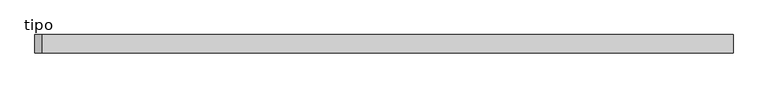
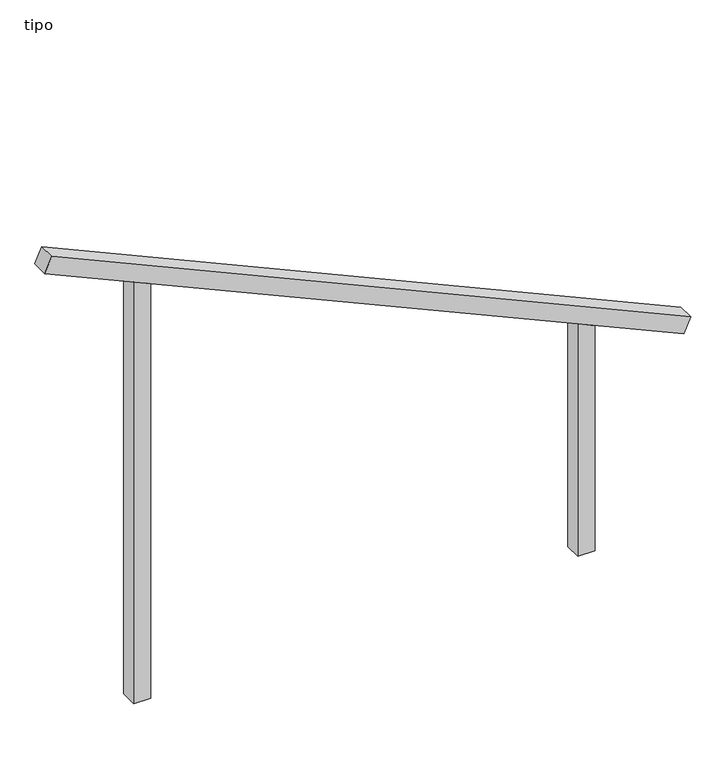
"""IFC4 building model written with IfcOpenShell, lengths in millimetres: proxy geometry, tipo."""

from ifc_helpers import new_model, si_unit, frame, origin, place, context, project, spatial, polyline, outline, extrude, source, transform, mapped, element, save


def tipo_8e2062e1(model_context):
    return source(origin(), model_context, "Body", "SweptSolid", [
        extrude(outline(polyline([(0.0, -4100.0), (0.0, 0.0), (100.0, 0.0), (100.0, -4100.0), (0.0, -4100.0)])), frame((-1869.3494518, -100.0, 2841.4467464), z_axis=(0.4104618275209503, 0.0, 0.9118777813655522), x_axis=(0.0, 1.0, 0.0)), (0.0, 0.0, 1.0), 100.0),
        extrude(outline(polyline([(1392.3270437, 1350.0), (1437.3398553, 1250.0), (0.0, 1250.0), (0.0, 1350.0), (1392.3270437, 1350.0)])), frame((0.0, -100.0, 0.0), z_axis=(0.0, 1.0, 0.0), x_axis=(0.0, 0.0, 1.0)), (0.0, 0.0, 1.0), 100.0),
        extrude(outline(polyline([(2607.6729563, -1350.0), (0.0, -1350.0), (0.0, -1250.0), (2562.6601447, -1250.0), (2607.6729563, -1350.0)])), frame((0.0, -100.0, 0.0), z_axis=(0.0, 1.0, 0.0), x_axis=(0.0, 0.0, 1.0)), (0.0, 0.0, 1.0), 100.0),
    ])


if __name__ == "__main__":
    model = new_model("IFC4")
    model_context = context("Model", 3, world=origin())
    ifc_project = project(units=[si_unit("LENGTHUNIT", "METRE", prefix="MILLI")], contexts=[model_context])
    site = spatial("IfcSite", under=ifc_project)
    building = spatial("IfcBuilding", under=site)
    placement = place(None, origin())
    tipo_shape = tipo_8e2062e1(model_context)
    element("IfcBuildingElementProxy", 1, Name="tipo", ObjectType="tipo", at=placement, inside=building, context=model_context, shape_type="MappedRepresentation", body=[
        mapped(tipo_shape, transform((0.0, 0.0, 0.0), x_axis=(1.0, 0.0, 0.0), y_axis=(0.0, 1.0, 0.0), z_axis=(0.0, 0.0, 1.0))),
    ])
    save(model, "model.ifc")
